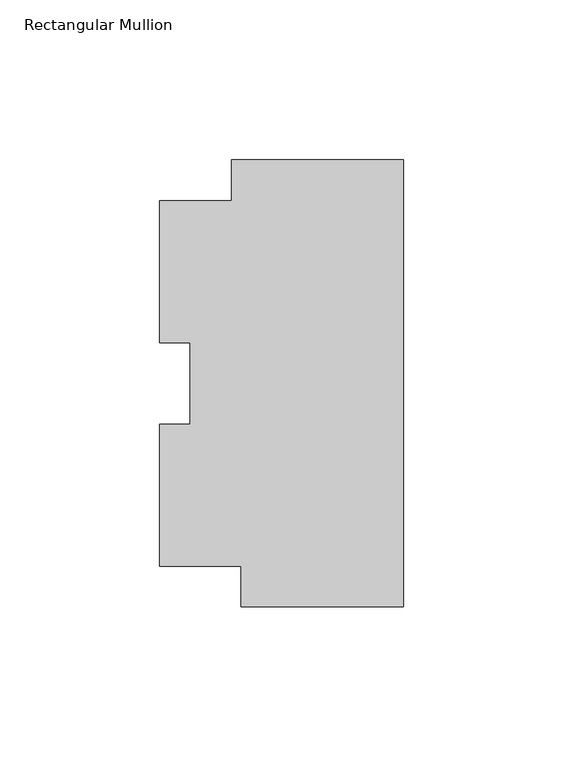
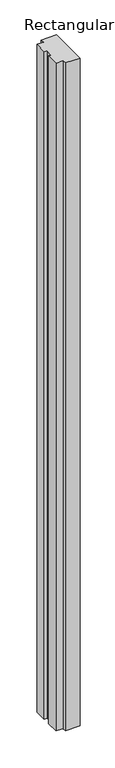
"""IFC4 building model written with IfcOpenShell, lengths in millimetres: member geometry, Rectangular Mullion."""

from ifc_helpers import new_model, si_unit, frame, origin, place, context, project, spatial, polyline, outline, extrude, source, transform, mapped, element, save


def rectangular_mullion_bd12963a(model_context):
    return source(origin(), model_context, "Body", "SweptSolid", [
        extrude(outline(polyline([(-53.8013672, 69.8176341), (0.0, 69.8176341), (0.0, -69.9130416), (-50.8, -69.9130416), (-50.8, -57.2071354), (-76.2, -57.2071354), (-76.2, -12.812011), (-66.675, -12.812011), (-66.675, 12.6756874), (-76.2, 12.6756874), (-76.2, 57.0928646), (-53.8013672, 57.0928646), (-53.8013672, 69.8176341)])), frame((0.0, 0.0, -2438.4), z_axis=(0.0, 0.0, 1.0), x_axis=(1.0, 0.0, 0.0)), (0.0, 0.0, 1.0), 2438.4),
    ])


if __name__ == "__main__":
    model = new_model("IFC4")
    model_context = context("Model", 3, world=origin())
    ifc_project = project(units=[si_unit("LENGTHUNIT", "METRE", prefix="MILLI")], contexts=[model_context])
    site = spatial("IfcSite", under=ifc_project)
    building = spatial("IfcBuilding", under=site)
    placement = place(None, origin())
    rectangular_mullion_shape = rectangular_mullion_bd12963a(model_context)
    element("IfcMember", 1, ObjectType="Rectangular Mullion", at=placement, inside=building, context=model_context, shape_type="MappedRepresentation", body=[
        mapped(rectangular_mullion_shape, transform((0.0, 0.0, 0.0), x_axis=(1.0, 0.0, 0.0), y_axis=(0.0, 1.0, 0.0), z_axis=(0.0, 0.0, 1.0))),
    ])
    save(model, "model.ifc")
